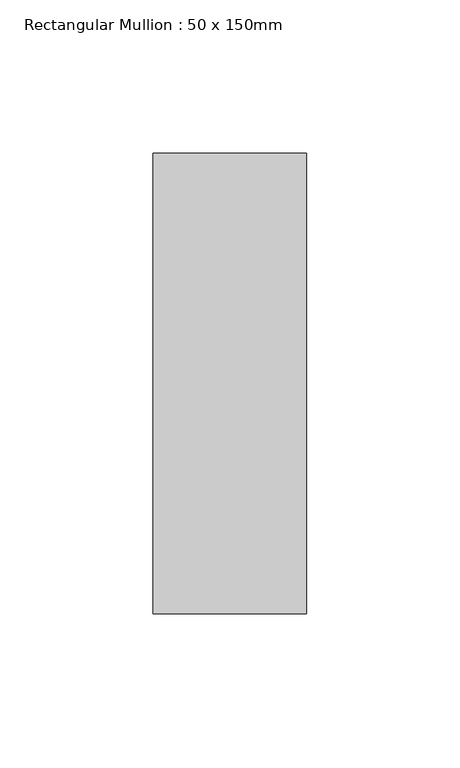
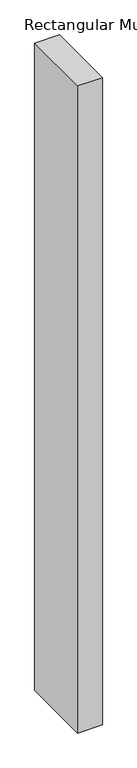
"""IFC4 building model written with IfcOpenShell, lengths in millimetres: member geometry, Rectangular Mullion : 50 x 150mm."""

from ifc_helpers import new_model, si_unit, frame, origin, place, context, project, spatial, polyline, outline, extrude, source, transform, mapped, element, save


def rectangular_mullion_50_x_150mm_9a4eb7e4(model_context):
    return source(origin(), model_context, "Body", "SweptSolid", [
        extrude(outline(polyline([(25.0, 75.0), (25.0, -75.0), (-25.0, -75.0), (-25.0, 75.0), (25.0, 75.0)])), frame((0.0, 0.0, -1381.6666667), z_axis=(0.0, 0.0, 1.0), x_axis=(1.0, 0.0, 0.0)), (0.0, 0.0, 1.0), 1381.6666667),
    ])


if __name__ == "__main__":
    model = new_model("IFC4")
    model_context = context("Model", 3, world=origin())
    ifc_project = project(units=[si_unit("LENGTHUNIT", "METRE", prefix="MILLI")], contexts=[model_context])
    site = spatial("IfcSite", under=ifc_project)
    building = spatial("IfcBuilding", under=site)
    placement = place(None, origin())
    rectangular_mullion_50_x_150mm_shape = rectangular_mullion_50_x_150mm_9a4eb7e4(model_context)
    element("IfcMember", 1, ObjectType="Rectangular Mullion : 50 x 150mm", at=placement, inside=building, context=model_context, shape_type="MappedRepresentation", body=[
        mapped(rectangular_mullion_50_x_150mm_shape, transform((0.0, 0.0, 0.0), x_axis=(1.0, 0.0, 0.0), y_axis=(0.0, 1.0, 0.0), z_axis=(0.0, 0.0, 1.0))),
    ])
    save(model, "model.ifc")
